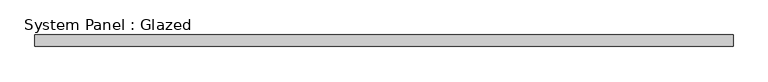
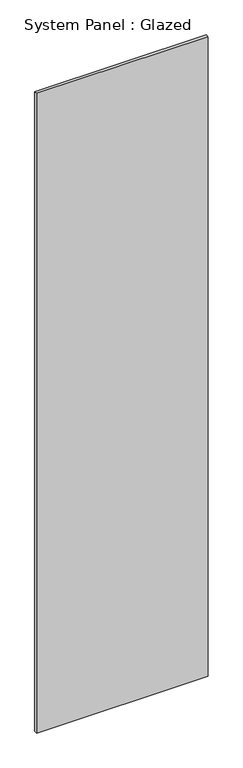
"""IFC4 building model written with IfcOpenShell, lengths in millimetres: plate geometry, System Panel : Glazed."""

from ifc_helpers import new_model, si_unit, origin, origin_with_axes, place, context, project, spatial, polyline, outline, extrude, source, transform, mapped, element, save


def system_panel_glazed_05e0b1d4(model_context):
    return source(origin(), model_context, "Body", "SweptSolid", [
        extrude(outline(polyline([(774.7, 19.05), (-774.7, 19.05), (-774.7, 44.45), (774.7, 44.45), (774.7, 19.05)])), origin_with_axes(), (0.0, 0.0, 1.0), 6096.0),
    ])


if __name__ == "__main__":
    model = new_model("IFC4")
    model_context = context("Model", 3, world=origin())
    ifc_project = project(units=[si_unit("LENGTHUNIT", "METRE", prefix="MILLI")], contexts=[model_context])
    site = spatial("IfcSite", under=ifc_project)
    building = spatial("IfcBuilding", under=site)
    placement = place(None, origin())
    system_panel_glazed_shape = system_panel_glazed_05e0b1d4(model_context)
    element("IfcPlate", 1, ObjectType="System Panel : Glazed", at=placement, inside=building, context=model_context, shape_type="MappedRepresentation", body=[
        mapped(system_panel_glazed_shape, transform((0.0, 0.0, 0.0), x_axis=(1.0, 0.0, 0.0), y_axis=(0.0, 1.0, 0.0), z_axis=(0.0, 0.0, 1.0))),
    ])
    save(model, "model.ifc")
